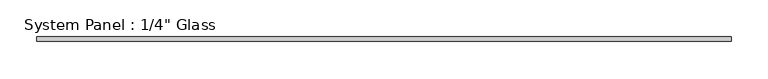
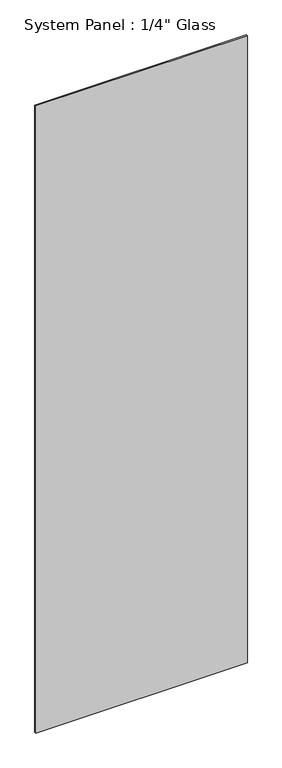
"""IFC4 building model written with IfcOpenShell, lengths in millimetres: plate geometry."""

from ifc_helpers import new_model, si_unit, origin, origin_with_axes, place, context, project, spatial, polyline, outline, extrude, source, transform, mapped, element, save


def plate_4576d84b(model_context):
    return source(origin(), model_context, "Body", "SweptSolid", [
        extrude(outline(polyline([(472.6408815, -3.175), (-472.6408815, -3.175), (-472.6408815, 3.175), (472.6408815, 3.175), (472.6408815, -3.175)])), origin_with_axes(), (0.0, 0.0, 1.0), 2959.1),
    ])


if __name__ == "__main__":
    model = new_model("IFC4")
    model_context = context("Model", 3, world=origin())
    ifc_project = project(units=[si_unit("LENGTHUNIT", "METRE", prefix="MILLI")], contexts=[model_context])
    site = spatial("IfcSite", under=ifc_project)
    building = spatial("IfcBuilding", under=site)
    placement = place(None, origin())
    plate_shape = plate_4576d84b(model_context)
    element("IfcPlate", 1, ObjectType="System Panel : 1/4\" Glass", at=placement, inside=building, context=model_context, shape_type="MappedRepresentation", body=[
        mapped(plate_shape, transform((0.0, 0.0, 0.0), x_axis=(1.0, 0.0, 0.0), y_axis=(0.0, 1.0, 0.0), z_axis=(0.0, 0.0, 1.0))),
    ])
    save(model, "model.ifc")
